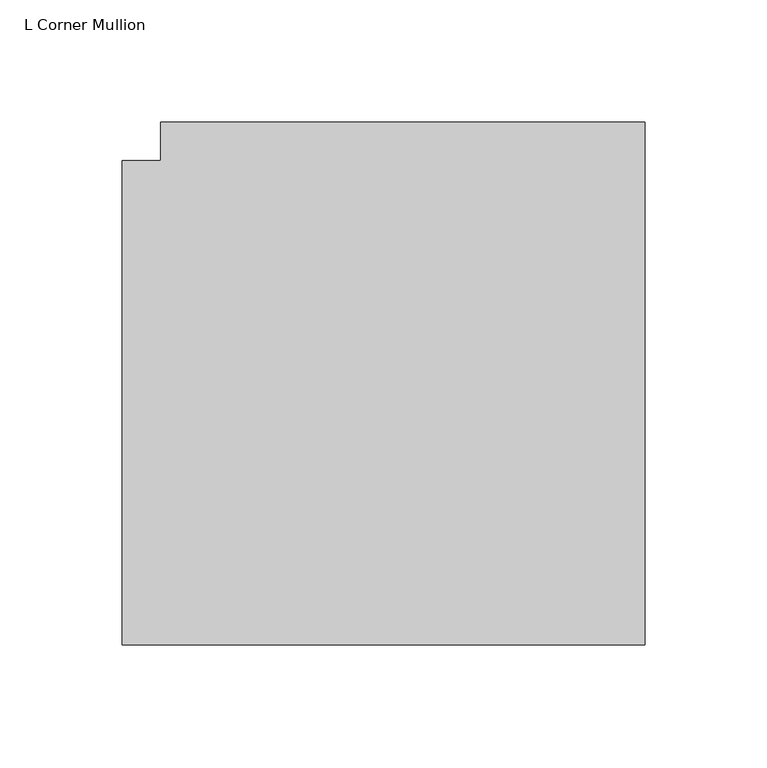
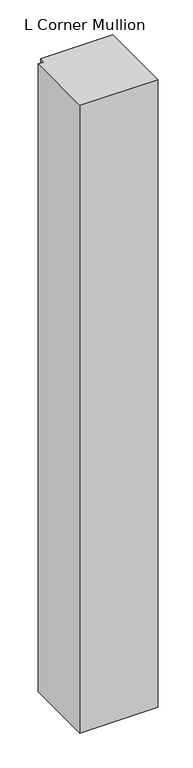
"""IFC4 building model written with IfcOpenShell, lengths in millimetres: member geometry, L Corner Mullion."""

from ifc_helpers import new_model, si_unit, frame, origin, place, context, project, spatial, polyline, outline, extrude, source, transform, mapped, element, save


def l_corner_mullion_a3b6fa88(model_context):
    return source(origin(), model_context, "Body", "SweptSolid", [
        extrude(outline(polyline([(156.36875, 57.94375), (156.36875, -156.36875), (-57.94375, -156.36875), (-57.94375, 42.06875), (-42.06875, 42.06875), (-42.06875, 57.94375), (156.36875, 57.94375)])), frame((0.0, 0.0, -1828.8), z_axis=(0.0, 0.0, 1.0), x_axis=(1.0, 0.0, 0.0)), (0.0, 0.0, 1.0), 1828.8),
    ])


if __name__ == "__main__":
    model = new_model("IFC4")
    model_context = context("Model", 3, world=origin())
    ifc_project = project(units=[si_unit("LENGTHUNIT", "METRE", prefix="MILLI")], contexts=[model_context])
    site = spatial("IfcSite", under=ifc_project)
    building = spatial("IfcBuilding", under=site)
    placement = place(None, origin())
    l_corner_mullion_shape = l_corner_mullion_a3b6fa88(model_context)
    element("IfcMember", 1, ObjectType="L Corner Mullion", at=placement, inside=building, context=model_context, shape_type="MappedRepresentation", body=[
        mapped(l_corner_mullion_shape, transform((0.0, 0.0, 0.0), x_axis=(1.0, 0.0, 0.0), y_axis=(0.0, 1.0, 0.0), z_axis=(0.0, 0.0, 1.0))),
    ])
    save(model, "model.ifc")
